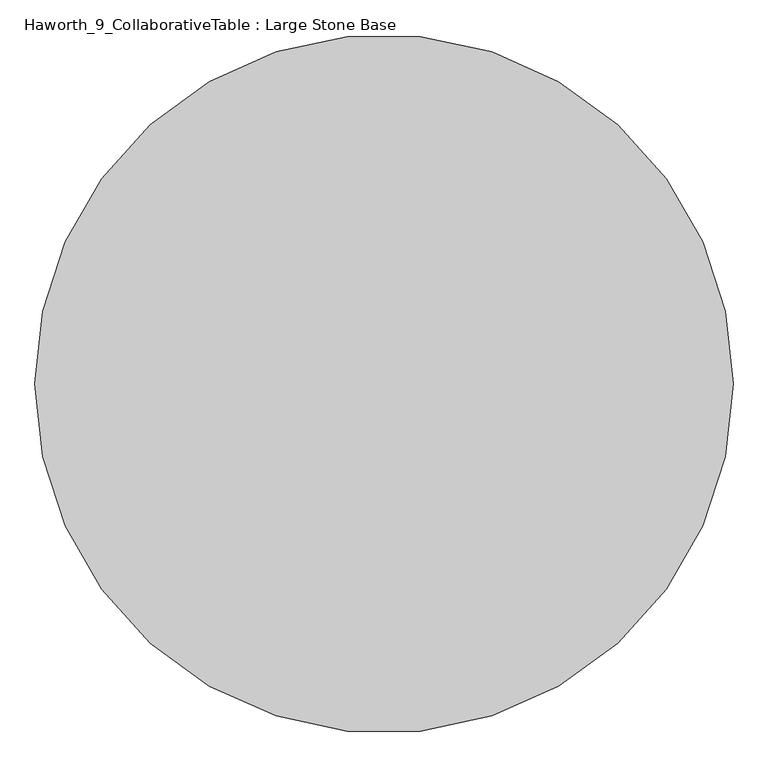
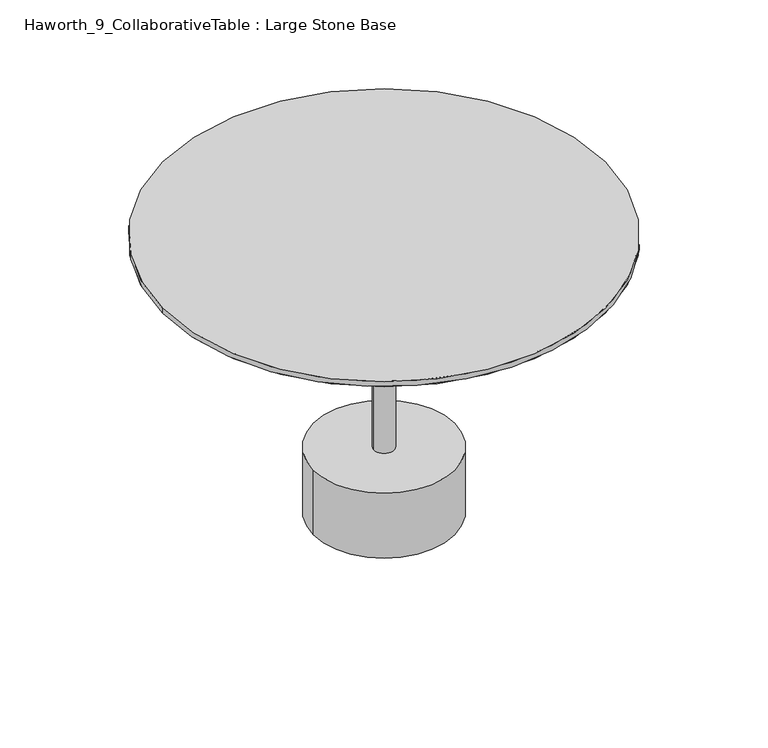
"""IFC4 building model written with IfcOpenShell, lengths in millimetres: furniture geometry, Haworth_9_CollaborativeTable : Large Stone Base."""

import ifcopenshell
import ifcopenshell.guid

model = None  # the IFC model being written
_history = None  # IfcOwnerHistory: only IFC2X3 demands one
_inside = {}  # id of a spatial element -> (the spatial element, [elements in it])
_under = {}  # id of a project, library or spatial element -> (it, [spatial elements below it])
_declared = {}  # id of a project -> (the project, [libraries it declares])
_typed = {}  # id of a type object -> (the type object, [elements of that type])
_made_of = {}  # id of a material, layer set ... -> (it, [elements and type objects made of it])


def new_model(schema):
    """Start an empty IFC model of exactly this schema.

    Asked for "IFC4X3", IfcOpenShell would pick the latest addendum, in which some entities
    have other attributes; the version numbers below select the first issue.
    IFC2X3 requires an IfcOwnerHistory on every rooted entity: one is made here for all.
    """
    global model, _history
    if schema == "IFC4X3":
        model = ifcopenshell.file(schema_version=(4, 3, 0, 0))
    else:
        model = ifcopenshell.file(schema=schema)
    _inside.clear()
    _under.clear()
    _declared.clear()
    _typed.clear()
    _made_of.clear()
    _history = None
    if model.schema == "IFC2X3":
        org = make("IfcOrganization", Name="unknown")
        user = make(
            "IfcPersonAndOrganization",
            ThePerson=make("IfcPerson", FamilyName="unknown"),
            TheOrganization=org,
        )
        app = make(
            "IfcApplication",
            ApplicationDeveloper=org,
            Version="unknown",
            ApplicationFullName="unknown",
            ApplicationIdentifier="unknown",
        )
        _history = make(
            "IfcOwnerHistory",
            OwningUser=user,
            OwningApplication=app,
            ChangeAction="ADDED",
            CreationDate=0,
        )
    return model


def make(cls, **values):
    """One entity of the class cls with the attributes given. An attribute that is None is left unset."""
    return model.create_entity(
        cls, **{name: value for name, value in values.items() if value is not None}
    )


def rooted(cls, **values):
    """An entity with a GlobalId (a new one), such as an element, a storey or a relation."""
    return make(cls, GlobalId=ifcopenshell.guid.new(), OwnerHistory=_history, **values)


def si_unit(unit_type, name, prefix=None):
    """IfcSIUnit, for example si_unit("LENGTHUNIT", "METRE", prefix="MILLI")."""
    return make("IfcSIUnit", UnitType=unit_type, Prefix=prefix, Name=name)


def assignment(units):
    """IfcUnitAssignment: the units of a project."""
    return None if units is None else make("IfcUnitAssignment", Units=units)


def point(xyz):
    """IfcCartesianPoint."""
    return None if xyz is None else make("IfcCartesianPoint", Coordinates=xyz)


def direction(xyz):
    """IfcDirection."""
    return None if xyz is None else make("IfcDirection", DirectionRatios=xyz)


def frame(location, z_axis=None, x_axis=None):
    """IfcAxis2Placement3D, a coordinate frame: its origin and axes. An axis left out is left unset."""
    return make(
        "IfcAxis2Placement3D",
        Location=point(location),
        Axis=direction(z_axis),
        RefDirection=direction(x_axis),
    )


def frame_2d(location, x_axis=None):
    """IfcAxis2Placement2D, a coordinate frame in the plane: its origin and x axis."""
    return make(
        "IfcAxis2Placement2D", Location=point(location), RefDirection=direction(x_axis)
    )


def origin():
    """The frame at (0, 0, 0) with its axes left unset."""
    return frame((0.0, 0.0, 0.0))


def origin_with_axes():
    """The frame at (0, 0, 0) with the z axis (0, 0, 1) and the x axis (1, 0, 0) written out."""
    return frame((0.0, 0.0, 0.0), z_axis=(0.0, 0.0, 1.0), x_axis=(1.0, 0.0, 0.0))


def place(relative_to, where):
    """IfcLocalPlacement: puts the frame where relative to a parent placement (None: the world)."""
    return make(
        "IfcLocalPlacement", PlacementRelTo=relative_to, RelativePlacement=where
    )


def context(
    kind, dimensions, precision=None, world=None, true_north=None, identifier=None
):
    """IfcGeometricRepresentationContext, for example the 3D "Model" context."""
    return make(
        "IfcGeometricRepresentationContext",
        ContextIdentifier=identifier,
        ContextType=kind,
        CoordinateSpaceDimension=dimensions,
        Precision=precision,
        WorldCoordinateSystem=world,
        TrueNorth=true_north,
    )


def project(units=None, contexts=None):
    """IfcProject with its units and contexts."""
    return rooted(
        "IfcProject",
        Name="project",
        RepresentationContexts=contexts,
        UnitsInContext=assignment(units),
    )


def spatial(cls, under=None, at=None, **own):
    """A site, building, storey or space (cls), placed at a placement, below another one or the project."""
    s = rooted(cls, ObjectPlacement=at, **own)
    if under is not None:
        _under.setdefault(under.id(), (under, []))[1].append(s)
    return s


def polyline(points):
    """IfcPolyline through the points."""
    return make("IfcPolyline", Points=[point(p) for p in points])


def circle_curve(where, radius):
    """IfcCircle in the frame where."""
    return make("IfcCircle", Position=where, Radius=radius)


def trimmed(basis, trim1, trim2, sense, master):
    """IfcTrimmedCurve: the piece of a basis curve between two trims."""
    return make(
        "IfcTrimmedCurve",
        BasisCurve=basis,
        Trim1=trim1,
        Trim2=trim2,
        SenseAgreement=sense,
        MasterRepresentation=master,
    )


def segment(curve, same_sense, transition):
    """IfcCompositeCurveSegment."""
    return make(
        "IfcCompositeCurveSegment",
        Transition=transition,
        SameSense=same_sense,
        ParentCurve=curve,
    )


def composite_curve(segments, self_intersect=None):
    """IfcCompositeCurve: segments joined end to end."""
    return make("IfcCompositeCurve", Segments=segments, SelfIntersect=self_intersect)


def outline(outer, holes=None, kind="AREA"):
    """IfcArbitraryClosedProfileDef: a profile drawn as a closed curve; with holes, ...WithVoids."""
    if holes is None:
        return make("IfcArbitraryClosedProfileDef", ProfileType=kind, OuterCurve=outer)
    return make(
        "IfcArbitraryProfileDefWithVoids",
        ProfileType=kind,
        OuterCurve=outer,
        InnerCurves=holes,
    )


def extrude(swept, where, along, depth):
    """IfcExtrudedAreaSolid: the profile swept, set in the frame where, extruded along a direction by depth."""
    return make(
        "IfcExtrudedAreaSolid",
        SweptArea=swept,
        Position=where,
        ExtrudedDirection=direction(along),
        Depth=depth,
    )


def shape(context_of_items, identifier, shape_type, items):
    """IfcShapeRepresentation: the items that make up one representation, for example the "Body"."""
    return make(
        "IfcShapeRepresentation",
        ContextOfItems=context_of_items,
        RepresentationIdentifier=identifier,
        RepresentationType=shape_type,
        Items=items,
    )


def source(mapping_origin, context_of_items, identifier, shape_type, items):
    """IfcRepresentationMap: a shape defined once, which mapped items show again and again."""
    return make(
        "IfcRepresentationMap",
        MappingOrigin=mapping_origin,
        MappedRepresentation=shape(context_of_items, identifier, shape_type, items),
    )


def transform(
    local_origin,
    x_axis=None,
    y_axis=None,
    z_axis=None,
    scale=None,
    scale2=None,
    scale3=None,
    uniform=True,
):
    """IfcCartesianTransformationOperator3D, or its non-uniform kind. x_axis, y_axis, z_axis: its Axis1, 2, 3."""
    if uniform:
        return make(
            "IfcCartesianTransformationOperator3D",
            Axis1=direction(x_axis),
            Axis2=direction(y_axis),
            LocalOrigin=point(local_origin),
            Scale=scale,
            Axis3=direction(z_axis),
        )
    return make(
        "IfcCartesianTransformationOperator3DnonUniform",
        Axis1=direction(x_axis),
        Axis2=direction(y_axis),
        LocalOrigin=point(local_origin),
        Scale=scale,
        Axis3=direction(z_axis),
        Scale2=scale2,
        Scale3=scale3,
    )


def mapped(mapping_source, mapping_target):
    """IfcMappedItem: shows the shape of a source again, moved by a transform."""
    return make(
        "IfcMappedItem", MappingSource=mapping_source, MappingTarget=mapping_target
    )


def made_of(thing, what):
    """Note that an element or type object is made of a material, layer set ...; save() writes the relation."""
    if what is not None:
        _made_of.setdefault(what.id(), (what, []))[1].append(thing)
    return thing


def element(
    cls,
    number,
    at=None,
    inside=None,
    cuts=None,
    type_object=None,
    material=None,
    context=None,
    identifier="Body",
    shape_type=None,
    held_by="IfcProductDefinitionShape",
    body=None,
    shapes=None,
    **own,
):
    """One element of the class cls, such as IfcWall. Its Tag is "e" and its number.

    at: its placement. inside: the storey or other place that contains it. cuts: it is an
    opening in that element (IfcRelVoidsElement). A single representation is given by context,
    identifier, shape_type and body (its items); several are given by shapes. held_by: the class
    of the entity that holds the representations. save() writes the other relations.
    """
    e = rooted(cls, Tag="e%d" % number, ObjectPlacement=at, **own)
    if body is not None:
        shapes = [shape(context, identifier, shape_type, body)]
    if shapes is not None:
        e.Representation = make(held_by, Representations=shapes)
    if inside is not None:
        _inside.setdefault(inside.id(), (inside, []))[1].append(e)
    if cuts is not None:
        rooted(
            "IfcRelVoidsElement", RelatingBuildingElement=cuts, RelatedOpeningElement=e
        )
    if type_object is not None:
        _typed.setdefault(type_object.id(), (type_object, []))[1].append(e)
    return made_of(e, material)


def aggregate(whole, parts):
    """IfcRelAggregates: a whole, such as a stair, and the parts it consists of."""
    return rooted("IfcRelAggregates", RelatingObject=whole, RelatedObjects=parts)


def save(model, path):
    """Write the relations noted so far, then the file.

    IfcRelAggregates (storeys below a building ...), IfcRelContainedInSpatialStructure (elements
    in a storey), IfcRelDefinesByType, IfcRelAssociatesMaterial and IfcRelDeclares: one each for
    every whole, place, type object, material and project.
    """
    for whole, parts in _under.values():
        aggregate(whole, parts)
    for where, things in _inside.values():
        rooted(
            "IfcRelContainedInSpatialStructure",
            RelatedElements=things,
            RelatingStructure=where,
        )
    for kind, things in _typed.values():
        rooted("IfcRelDefinesByType", RelatedObjects=things, RelatingType=kind)
    for what, things in _made_of.values():
        rooted("IfcRelAssociatesMaterial", RelatedObjects=things, RelatingMaterial=what)
    for by, libraries in _declared.values():
        rooted("IfcRelDeclares", RelatingContext=by, RelatedDefinitions=libraries)
    model.write(path)


def plane_surface(at):
    """IfcPlane: the flat surface through the origin of the frame at, square to its z axis."""
    return make("IfcPlane", Position=at)


def revolved_surface(curve, axis_point, axis_direction):
    """IfcSurfaceOfRevolution: the curve turned about the line through axis_point along axis_direction."""
    return make(
        "IfcSurfaceOfRevolution",
        SweptCurve=make("IfcArbitraryOpenProfileDef", ProfileType="CURVE", Curve=curve),
        AxisPosition=make("IfcAxis1Placement", Location=point(axis_point), Axis=direction(axis_direction)),
    )


def advanced_brep(points, edges, surfaces, faces):
    """IfcAdvancedBrep: a solid bounded by faces that lie on surfaces and meet in shared edges.

    An edge is (start, end): straight between two places in points (the first is 0);
    or (start, end, curve); or (start, end, curve, False) where it runs against its curve.
    A face is (place in surfaces, loops), or (place, loops, False) where it looks against
    its surface's normal. A loop lists edges by number (the first is 1), with a minus sign
    where the edge is run from its end to its start. The first loop is the outer one.
    """
    corners = [point(p) for p in points]
    vertices = [make("IfcVertexPoint", VertexGeometry=c) for c in corners]
    made = []
    for start, end, *more in edges:
        made.append(
            make(
                "IfcEdgeCurve",
                EdgeStart=vertices[start],
                EdgeEnd=vertices[end],
                EdgeGeometry=more[0] if more else make("IfcPolyline", Points=[corners[start], corners[end]]),
                SameSense=more[1] if len(more) > 1 else True,
            )
        )
    hull = []
    for where, loops, *sense in faces:
        bounds = []
        for j, loop in enumerate(loops):
            ring = [make("IfcOrientedEdge", EdgeElement=made[abs(k) - 1], Orientation=k > 0) for k in loop]
            bounds.append(
                make(
                    "IfcFaceOuterBound" if j == 0 else "IfcFaceBound",
                    Bound=make("IfcEdgeLoop", EdgeList=ring),
                    Orientation=True,
                )
            )
        hull.append(make("IfcAdvancedFace", Bounds=bounds, FaceSurface=surfaces[where], SameSense=sense[0] if sense else True))
    return make("IfcAdvancedBrep", Outer=make("IfcClosedShell", CfsFaces=hull))


def haworth_9_collaborativetable_large_stone_base_0d351807(model_context):
    return source(origin(), model_context, "Body", "SolidModel", [
        extrude(outline(composite_curve([segment(trimmed(circle_curve(frame_2d((-155.4452882, -292.1)), 325.2780625), [point((-480.7233507, -292.1))], [point((169.8327744, -292.1))], False, "CARTESIAN"), True, "CONTINUOUS"), segment(trimmed(circle_curve(frame_2d((-155.4452882, -292.1)), 325.2780625), [point((169.8327744, -292.1))], [point((-480.7233507, -292.1))], False, "CARTESIAN"), True, "CONTINUOUS")], self_intersect=False)), frame((0.0, 0.0, 698.9800095), z_axis=(0.0, 0.0, 1.0), x_axis=(1.0, 0.0, 0.0)), (0.0, 0.0, 1.0), 2.9999622),
        advanced_brep(
        [(-448.647757, -292.1027186, 698.9800095), (137.7571807, -292.1027186, 698.9800095), (-155.4452882, -292.1027186, 698.9800095), (-379.8914523, -292.1027186, 674.4799788), (69.000876, -292.1027186, 674.4799788), (-155.4452882, -292.1027186, 674.4799788)],
        [
            (0, 1, circle_curve(frame((-155.4452882, -292.1027186, 698.9800095), z_axis=(0.0, 0.0, 1.0), x_axis=(1.0, 0.0, 0.0)), 293.2024688)),
            (1, 2),
            (2, 0),
            (1, 0, circle_curve(frame((-155.4452882, -292.1027186, 698.9800095), z_axis=(0.0, 0.0, 1.0), x_axis=(1.0, 0.0, 0.0)), 293.2024688)),
            (3, 4, circle_curve(frame((-155.4452882, -292.1027186, 674.4799788), z_axis=(0.0, 0.0, 1.0), x_axis=(1.0, 0.0, 0.0)), 224.4461642)),
            (4, 1),
            (0, 3),
            (4, 3, circle_curve(frame((-155.4452882, -292.1027186, 674.4799788), z_axis=(0.0, 0.0, 1.0), x_axis=(1.0, 0.0, 0.0)), 224.4461642)),
            (5, 4),
            (3, 5),
        ],
        [
            plane_surface(frame((-155.4452882, -292.1027186, 698.9800095), z_axis=(0.0, 0.0, 1.0), x_axis=(1.0, 0.0, 0.0))),
            revolved_surface(polyline([(137.7571807, -292.1027186, 698.9800095), (69.000876, -292.1027186, 674.4799788)]), (-155.4452882, -292.1027186, 696.9852728), (0.0, 0.0, -1.0)),
            plane_surface(frame((-155.4452882, -292.1027186, 674.4799788), z_axis=(0.0, 0.0, -1.0), x_axis=(1.0, 0.0, 0.0))),
        ],
        [
            (0, [[1, 2, 3]]),
            (0, [[4, -3, -2]]),
            (1, [[5, 6, -1, 7]]),
            (1, [[8, -7, -4, -6]]),
            (2, [[9, -5, 10]]),
            (2, [[-10, -8, -9]]),
        ],
    ),
        extrude(outline(composite_curve([segment(trimmed(circle_curve(frame_2d((-155.4452882, -292.1)), 25.1789912), [point((-180.6242793, -292.1))], [point((-130.266297, -292.1))], False, "CARTESIAN"), True, "CONTINUOUS"), segment(trimmed(circle_curve(frame_2d((-155.4452882, -292.1)), 25.1789912), [point((-130.266297, -292.1))], [point((-180.6242793, -292.1))], False, "CARTESIAN"), True, "CONTINUOUS")], self_intersect=False)), frame((0.0, 0.0, 173.1865621), z_axis=(0.0, 0.0, 1.0), x_axis=(1.0, 0.0, 0.0)), (0.0, 0.0, 1.0), 508.7254665),
        extrude(outline(composite_curve([segment(trimmed(circle_curve(frame_2d((-155.4452882, -292.1)), 167.901137), [point((-323.3464252, -292.1))], [point((12.4558489, -292.1))], False, "CARTESIAN"), True, "CONTINUOUS"), segment(trimmed(circle_curve(frame_2d((-155.4452882, -292.1)), 167.901137), [point((12.4558489, -292.1))], [point((-323.3464252, -292.1))], False, "CARTESIAN"), True, "CONTINUOUS")], self_intersect=False)), origin_with_axes(), (0.0, 0.0, 1.0), 3.0065621),
        extrude(outline(composite_curve([segment(trimmed(circle_curve(frame_2d((-155.4452882, -292.1)), 175.3123083), [point((-330.7575964, -292.1))], [point((19.8670201, -292.1))], False, "CARTESIAN"), True, "CONTINUOUS"), segment(trimmed(circle_curve(frame_2d((-155.4452882, -292.1)), 175.3123083), [point((19.8670201, -292.1))], [point((-330.7575964, -292.1))], False, "CARTESIAN"), True, "CONTINUOUS")], self_intersect=False)), frame((0.0, 0.0, 3.0065621), z_axis=(0.0, 0.0, 1.0), x_axis=(1.0, 0.0, 0.0)), (0.0, 0.0, 1.0), 170.18),
        extrude(outline(composite_curve([segment(trimmed(circle_curve(frame_2d((-155.4452882, -292.1)), 549.91), [point((-705.3552882, -292.1))], [point((394.4647118, -292.1))], False, "CARTESIAN"), True, "CONTINUOUS"), segment(trimmed(circle_curve(frame_2d((-155.4452882, -292.1)), 549.91), [point((394.4647118, -292.1))], [point((-705.3552882, -292.1))], False, "CARTESIAN"), True, "CONTINUOUS")], self_intersect=False)), frame((0.0, 0.0, 715.7948988), z_axis=(0.0, 0.0, 1.0), x_axis=(1.0, 0.0, 0.0)), (0.0, 0.0, 1.0), 13.1851012),
        advanced_brep(
        [(-705.3552882, -292.1, 715.7948988), (394.4647118, -292.1, 715.7948988), (-664.7152882, -292.1, 701.9799717), (353.8247118, -292.1, 701.9799717)],
        [
            (0, 1, circle_curve(frame((-155.4452882, -292.1, 715.7948988), z_axis=(0.0, 0.0, 1.0), x_axis=(-1.0, 0.0, 0.0)), 549.91)),
            (1, 0, circle_curve(frame((-155.4452882, -292.1, 715.7948988), z_axis=(0.0, 0.0, 1.0), x_axis=(1.0, 0.0, 0.0)), 549.91)),
            (2, 3, circle_curve(frame((-155.4452882, -292.1, 701.9799717), z_axis=(0.0, 0.0, -1.0), x_axis=(1.0, 0.0, 0.0)), 509.27)),
            (3, 2, circle_curve(frame((-155.4452882, -292.1, 701.9799717), z_axis=(0.0, 0.0, -1.0), x_axis=(-1.0, 0.0, 0.0)), 509.27)),
            (3, 1),
            (0, 2),
        ],
        [
            plane_surface(frame((-155.4452882, -292.1, 715.7948988), z_axis=(0.0, 0.0, 1.0), x_axis=(0.0, -1.0, 0.0))),
            plane_surface(frame((-155.4452882, -292.1, 701.9799717), z_axis=(0.0, 0.0, -1.0), x_axis=(0.0, -1.0, 0.0))),
            revolved_surface(polyline([(353.824711795244, -292.1, 701.9799717), (394.4647118, -292.1, 715.7948988)]), (-155.4452882, -292.1, 528.8616665), (0.0, 0.0, 1.0)),
            revolved_surface(polyline([(-664.715288195244, -292.1, 701.9799717), (-705.3552882000001, -292.1, 715.7948988)]), (-155.4452882, -292.1, 528.8616665), (0.0, 0.0, 1.0)),
        ],
        [
            (0, [[1, 2]]),
            (1, [[3, 4]]),
            (2, [[-4, 5, -1, 6]]),
            (3, [[-3, -6, -2, -5]]),
        ],
    ),
    ])


if __name__ == "__main__":
    model = new_model("IFC4")
    model_context = context("Model", 3, world=origin())
    ifc_project = project(units=[si_unit("LENGTHUNIT", "METRE", prefix="MILLI")], contexts=[model_context])
    site = spatial("IfcSite", under=ifc_project)
    building = spatial("IfcBuilding", under=site)
    placement = place(None, origin())
    haworth_9_collaborativetable_large_stone_base_shape = haworth_9_collaborativetable_large_stone_base_0d351807(model_context)
    element("IfcFurniture", 1, ObjectType="Haworth_9_CollaborativeTable : Large Stone Base", at=placement, inside=building, context=model_context, shape_type="MappedRepresentation", body=[
        mapped(haworth_9_collaborativetable_large_stone_base_shape, transform((0.0, 0.0, 0.0), x_axis=(1.0, 0.0, 0.0), y_axis=(0.0, 1.0, 0.0), z_axis=(0.0, 0.0, 1.0))),
    ])
    save(model, "model.ifc")
